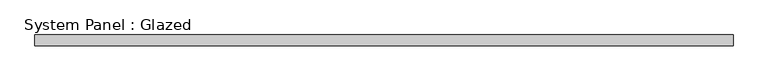
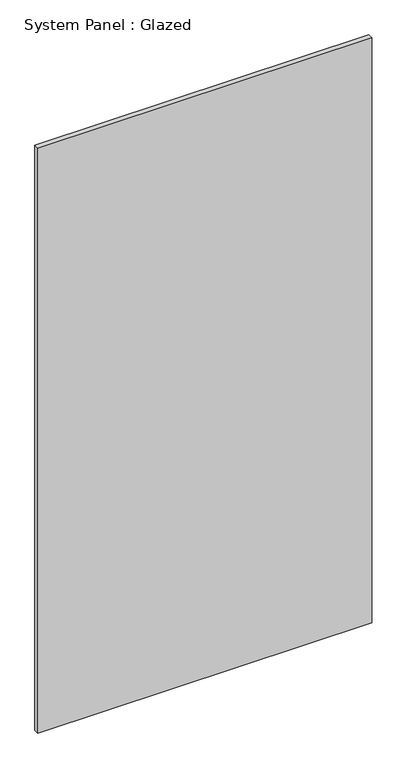
"""IFC4 building model written with IfcOpenShell, lengths in millimetres: plate geometry, System Panel : Glazed."""

from ifc_helpers import new_model, si_unit, origin, origin_with_axes, place, context, project, spatial, polyline, outline, extrude, source, transform, mapped, element, save


def system_panel_glazed_80d17962(model_context):
    return source(origin(), model_context, "Body", "SweptSolid", [
        extrude(outline(polyline([(810.0607182, 24.5), (-810.0607182, 24.5), (-810.0607182, 49.5), (810.0607182, 49.5), (810.0607182, 24.5)])), origin_with_axes(), (0.0, 0.0, 1.0), 3000.0),
    ])


if __name__ == "__main__":
    model = new_model("IFC4")
    model_context = context("Model", 3, world=origin())
    ifc_project = project(units=[si_unit("LENGTHUNIT", "METRE", prefix="MILLI")], contexts=[model_context])
    site = spatial("IfcSite", under=ifc_project)
    building = spatial("IfcBuilding", under=site)
    placement = place(None, origin())
    system_panel_glazed_shape = system_panel_glazed_80d17962(model_context)
    element("IfcPlate", 1, ObjectType="System Panel : Glazed", at=placement, inside=building, context=model_context, shape_type="MappedRepresentation", body=[
        mapped(system_panel_glazed_shape, transform((0.0, 0.0, 0.0), x_axis=(1.0, 0.0, 0.0), y_axis=(0.0, 1.0, 0.0), z_axis=(0.0, 0.0, 1.0))),
    ])
    save(model, "model.ifc")
